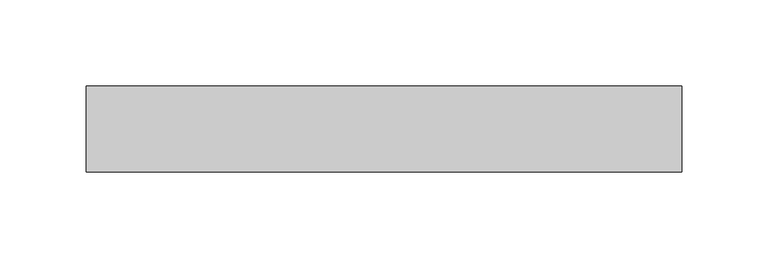
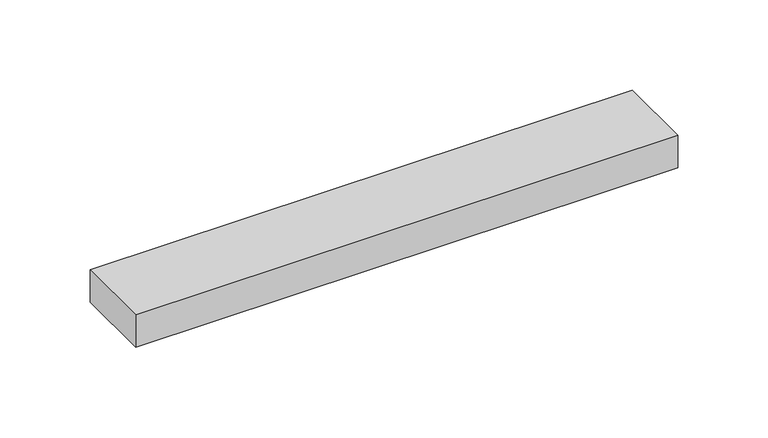
"""IFC4 building model written with IfcOpenShell, lengths in millimetres: beam geometry."""

from ifc_helpers import new_model, si_unit, frame, origin, place, context, project, spatial, polyline, outline, extrude, source, transform, mapped, element, save


def beam_e32510c0(model_context):
    return source(origin(), model_context, "Body", "SweptSolid", [
        extrude(outline(polyline([(173.2050808, 25.0), (173.2050808, -25.0), (-173.2050808, -25.0), (-173.2050808, 25.0), (173.2050808, 25.0)])), frame((0.0, 0.0, -11.0), z_axis=(0.0, 0.0, 1.0), x_axis=(1.0, 0.0, 0.0)), (0.0, 0.0, 1.0), 22.0),
    ])


if __name__ == "__main__":
    model = new_model("IFC4")
    model_context = context("Model", 3, world=origin())
    ifc_project = project(units=[si_unit("LENGTHUNIT", "METRE", prefix="MILLI")], contexts=[model_context])
    site = spatial("IfcSite", under=ifc_project)
    building = spatial("IfcBuilding", under=site)
    placement = place(None, origin())
    beam_shape = beam_e32510c0(model_context)
    element("IfcBeam", 1, at=placement, inside=building, context=model_context, shape_type="MappedRepresentation", body=[
        mapped(beam_shape, transform((0.0, 0.0, 0.0), x_axis=(1.0, 0.0, 0.0), y_axis=(0.0, 1.0, 0.0), z_axis=(0.0, 0.0, 1.0))),
    ])
    save(model, "model.ifc")
